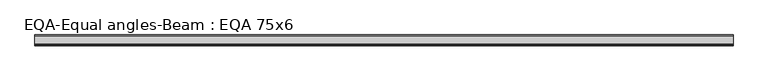
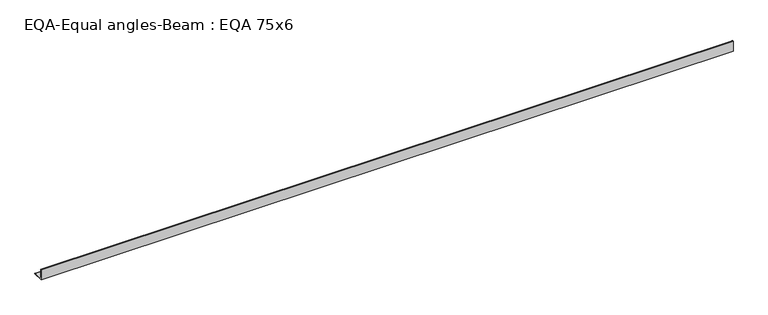
"""IFC4 building model written with IfcOpenShell, lengths in millimetres: beam geometry, EQA-Equal angles-Beam : EQA 75x6."""

from ifc_helpers import new_model, si_unit, point, frame, frame_2d, origin, place, context, project, spatial, polyline, circle_curve, trimmed, segment, composite_curve, outline, extrude, source, transform, mapped, element, save


def eqa_equal_angles_beam_eqa_75x6_1a543e1b(model_context):
    return source(origin(), model_context, "Body", "SweptSolid", [
        extrude(outline(composite_curve([segment(polyline([(-20.5, -20.5), (-20.5, 54.5), (-19.0, 54.5)]), True, "CONTINUOUS"), segment(trimmed(circle_curve(frame_2d((-19.0, 50.0)), 4.5), [point((-19.0, 54.5))], [point((-14.5, 50.0))], False, "CARTESIAN"), True, "CONTINUOUS"), segment(polyline([(-14.5, 50.0), (-14.5, -5.5)]), True, "CONTINUOUS"), segment(trimmed(circle_curve(frame_2d((-5.5, -5.5)), 9.0), [point((-14.5, -5.5))], [point((-5.5, -14.5))], True, "CARTESIAN"), True, "CONTINUOUS"), segment(polyline([(-5.5, -14.5), (50.0, -14.5)]), True, "CONTINUOUS"), segment(trimmed(circle_curve(frame_2d((50.0, -19.0)), 4.5), [point((50.0, -14.5))], [point((54.5, -19.0))], False, "CARTESIAN"), True, "CONTINUOUS"), segment(polyline([(54.5, -19.0), (54.5, -20.5), (-20.5, -20.5)]), True, "CONTINUOUS")], self_intersect=False)), frame((-2398.0489317, 0.0, 0.0), z_axis=(1.0, 0.0, 0.0), x_axis=(0.0, 1.0, 0.0)), (0.0, 0.0, 1.0), 4853.6168933),
    ])


if __name__ == "__main__":
    model = new_model("IFC4")
    model_context = context("Model", 3, world=origin())
    ifc_project = project(units=[si_unit("LENGTHUNIT", "METRE", prefix="MILLI")], contexts=[model_context])
    site = spatial("IfcSite", under=ifc_project)
    building = spatial("IfcBuilding", under=site)
    placement = place(None, origin())
    eqa_equal_angles_beam_eqa_75x6_shape = eqa_equal_angles_beam_eqa_75x6_1a543e1b(model_context)
    element("IfcBeam", 1, ObjectType="EQA-Equal angles-Beam : EQA 75x6", at=placement, inside=building, context=model_context, shape_type="MappedRepresentation", body=[
        mapped(eqa_equal_angles_beam_eqa_75x6_shape, transform((0.0, 0.0, 0.0), x_axis=(1.0, 0.0, 0.0), y_axis=(0.0, 1.0, 0.0), z_axis=(0.0, 0.0, 1.0))),
    ])
    save(model, "model.ifc")
